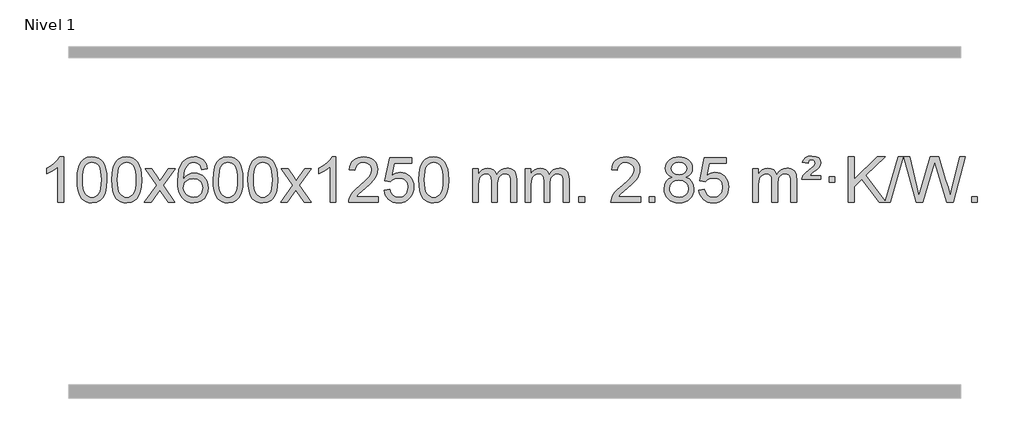
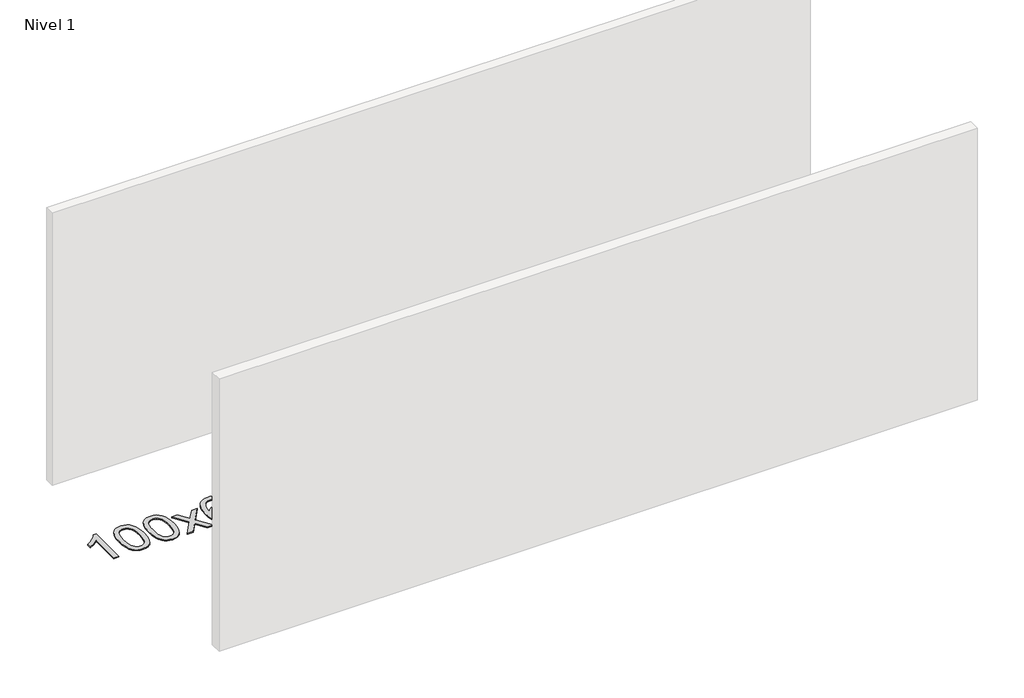
# One storey, part 5 of 9: 1 proxy.
"""IFC4 building model written with IfcOpenShell, lengths in millimetres."""

from ifc_helpers import new_model, si_unit, origin, origin_with_axes, place, context, project, spatial, polyline, outline, extrude, element, save

model = new_model("IFC4")

# Units and contexts
model_context = context("Model", 3, world=origin())
ifc_project = project(units=[si_unit("LENGTHUNIT", "METRE", prefix="MILLI")], contexts=[model_context])

# Site, building, storey
site = spatial("IfcSite", under=ifc_project)
building = spatial("IfcBuilding", under=site)
storey = spatial("IfcBuildingStorey", under=building, Name="Nivel 1", Elevation=0.0)

# Proxy
placement = place(None, origin())
element("IfcBuildingElementProxy", 1, Name="Texto de modelo 1", ObjectType="Texto de modelo 1", at=placement, inside=storey, context=model_context, shape_type="SweptSolid", body=[
    extrude(outline(polyline([(-6575.4615788, -9389.579453), (-6625.6897338, -9389.579453), (-6625.6897338, -9076.4382987), (-6646.6590076, -9093.3976587), (-6673.2691385, -9110.3324932), (-6726.146044, -9135.6918254), (-6726.146044, -9088.2105225), (-6686.6968314, -9066.7507395), (-6652.520594, -9041.219729), (-6625.5793692, -9014.0700378), (-6607.8351943, -8987.7542124), (-6575.4615788, -8987.7542124), (-6575.4615788, -9389.579453)])), origin_with_axes(), (0.0, 0.0, 1.0), 10.0),
    extrude(outline(polyline([(-6456.1697105, -9191.9041943), (-6452.4786278, -9127.5861588), (-6441.4053797, -9076.2911459), (-6423.0603309, -9037.2343407), (-6411.2022679, -9022.0009605), (-6397.5538459, -9009.6309284), (-6382.0690796, -9000.0598651), (-6364.7019837, -8993.2233914), (-6324.3208034, -8987.7542124), (-6293.3696649, -8990.991574), (-6265.6558879, -9000.7036586), (-6242.4793222, -9016.5103217), (-6225.1398175, -9038.0314184), (-6212.0432185, -9065.0830078), (-6201.5953698, -9097.4811488), (-6194.7527647, -9138.6226186), (-6192.4718963, -9191.9041943), (-6196.1261908, -9255.8543477), (-6207.0890743, -9307.0267333), (-6225.3237585, -9346.1203266), (-6237.1542303, -9361.3996922), (-6250.7934553, -9373.8341036), (-6266.2966157, -9383.4695462), (-6283.7188939, -9390.3520052), (-6324.3208034, -9395.8579724), (-6351.9855294, -9393.4667394), (-6376.5109958, -9386.2930405), (-6397.8972024, -9374.3368757), (-6416.1441494, -9357.5982449), (-6433.6553324, -9327.3399508), (-6446.1633202, -9289.6381776), (-6453.6681129, -9244.4929255), (-6456.1697105, -9191.9041943)]), holes=[polyline([(-6405.9415554, -9191.8060924), (-6404.4700274, -9235.4706195), (-6400.0554435, -9270.8148822), (-6392.6978036, -9297.8388804), (-6382.3971077, -9316.5426142), (-6369.9381708, -9329.2682656), (-6356.1058078, -9338.3580165), (-6340.9000186, -9343.8118671), (-6324.3208034, -9345.6298173), (-6307.7415881, -9343.8057357), (-6292.535799, -9338.3334911), (-6278.703436, -9329.2130833), (-6266.2444991, -9316.4445124), (-6255.9438032, -9297.7101217), (-6248.5861633, -9270.6922549), (-6244.1715794, -9235.3909118), (-6242.7000514, -9191.8060924), (-6244.1225284, -9149.2973278), (-6248.3899596, -9114.5753989), (-6255.5023448, -9087.6403055), (-6265.4596842, -9068.4920476), (-6277.7101546, -9055.1440625), (-6291.7019332, -9045.6097875), (-6307.4350198, -9039.8892225), (-6324.9094146, -9037.9823675), (-6341.4027907, -9039.6623619), (-6356.3510624, -9044.7023452), (-6369.7542298, -9053.1023175), (-6381.6122928, -9064.8622786), (-6392.2563452, -9085.708925), (-6399.8592397, -9113.8151094), (-6404.4209765, -9149.1808319), (-6405.9415554, -9191.8060924)])]), origin_with_axes(), (0.0, 0.0, 1.0), 10.0),
    extrude(outline(polyline([(-6148.5222606, -9191.9041943), (-6144.8311779, -9127.5861588), (-6133.7579299, -9076.2911459), (-6115.4128811, -9037.2343407), (-6103.5548181, -9022.0009605), (-6089.9063961, -9009.6309284), (-6074.4216298, -9000.0598651), (-6057.0545339, -8993.2233914), (-6016.6733536, -8987.7542124), (-5985.722215, -8990.991574), (-5958.0084381, -9000.7036586), (-5934.8318724, -9016.5103217), (-5917.4923677, -9038.0314184), (-5904.3957686, -9065.0830078), (-5893.94792, -9097.4811488), (-5887.1053149, -9138.6226186), (-5884.8244465, -9191.9041943), (-5888.478741, -9255.8543477), (-5899.4416244, -9307.0267333), (-5917.6763087, -9346.1203266), (-5929.5067805, -9361.3996922), (-5943.1460055, -9373.8341036), (-5958.6491659, -9383.4695462), (-5976.071444, -9390.3520052), (-6016.6733536, -9395.8579724), (-6044.3380796, -9393.4667394), (-6068.8635459, -9386.2930405), (-6090.2497526, -9374.3368757), (-6108.4966996, -9357.5982449), (-6126.0078825, -9327.3399508), (-6138.5158704, -9289.6381776), (-6146.0206631, -9244.4929255), (-6148.5222606, -9191.9041943)]), holes=[polyline([(-6098.2941056, -9191.8060924), (-6096.8225776, -9235.4706195), (-6092.4079936, -9270.8148822), (-6085.0503537, -9297.8388804), (-6074.7496579, -9316.5426142), (-6062.290721, -9329.2682656), (-6048.4583579, -9338.3580165), (-6033.2525688, -9343.8118671), (-6016.6733536, -9345.6298173), (-6000.0941383, -9343.8057357), (-5984.8883492, -9338.3334911), (-5971.0559862, -9329.2130833), (-5958.5970493, -9316.4445124), (-5948.2963534, -9297.7101217), (-5940.9387135, -9270.6922549), (-5936.5241295, -9235.3909118), (-5935.0526016, -9191.8060924), (-5936.4750786, -9149.2973278), (-5940.7425098, -9114.5753989), (-5947.854895, -9087.6403055), (-5957.8122343, -9068.4920476), (-5970.0627048, -9055.1440625), (-5984.0544833, -9045.6097875), (-5999.78757, -9039.8892225), (-6017.2619648, -9037.9823675), (-6033.7553409, -9039.6623619), (-6048.7036126, -9044.7023452), (-6062.10678, -9053.1023175), (-6073.9648429, -9064.8622786), (-6084.6088953, -9085.708925), (-6092.2117899, -9113.8151094), (-6096.7735266, -9149.1808319), (-6098.2941056, -9191.8060924)])]), origin_with_axes(), (0.0, 0.0, 1.0), 10.0),
    extrude(outline(polyline([(-5859.7103689, -9389.579453), (-5752.3869282, -9241.2494325), (-5853.4318496, -9094.4890419), (-5793.0011005, -9094.4890419), (-5744.2444734, -9165.122385), (-5721.4848406, -9198.4770192), (-5701.7663657, -9171.2047007), (-5646.2407099, -9094.4890419), (-5585.8099608, -9094.4890419), (-5691.9561791, -9241.2494325), (-5589.7340354, -9389.579453), (-5650.1647845, -9389.579453), (-5711.6746541, -9300.4048574), (-5722.9563686, -9284.1199477), (-5799.2796199, -9389.579453), (-5859.7103689, -9389.579453)])), origin_with_axes(), (0.0, 0.0, 1.0), 10.0),
    extrude(outline(polyline([(-5300.9221437, -9094.4890419), (-5351.1502988, -9100.7675613), (-5359.2437027, -9075.874213), (-5370.1820607, -9058.8780648), (-5392.9662189, -9043.2062918), (-5420.5083176, -9037.9823675), (-5443.8565616, -9041.0235253), (-5465.8313794, -9050.1469988), (-5484.7037258, -9069.3627017), (-5500.1179814, -9095.8134171), (-5510.5290419, -9133.227016), (-5514.3918028, -9185.3313693), (-5494.2441322, -9161.8237098), (-5470.0988106, -9145.2567573), (-5443.3047386, -9135.434308), (-5415.2108169, -9132.1601582), (-5391.077758, -9134.398107), (-5368.8086346, -9141.1119534), (-5348.4034466, -9152.3016975), (-5329.862194, -9167.9673391), (-5314.4540698, -9187.1769106), (-5303.4482668, -9208.9984443), (-5296.844785, -9233.4319401), (-5294.6436244, -9260.4773982), (-5298.7884282, -9296.4439945), (-5311.2228396, -9329.786366), (-5330.9167891, -9358.0642287), (-5356.840207, -9378.8372987), (-5387.815871, -9391.602804), (-5422.6665587, -9395.8579724), (-5452.6090874, -9393.0375437), (-5479.6514797, -9384.5762579), (-5503.7937357, -9370.4741147), (-5525.0358552, -9350.7311143), (-5542.3539001, -9324.5133908), (-5554.7239322, -9290.9870783), (-5562.1459515, -9250.1521768), (-5564.6199579, -9202.0086864), (-5561.8731057, -9148.0342663), (-5553.632549, -9101.9693092), (-5539.8982878, -9063.8138149), (-5520.6703222, -9033.5677835), (-5499.8298072, -9013.5243462), (-5475.6660915, -8999.2076052), (-5448.179175, -8990.6175606), (-5417.3690579, -8987.7542124), (-5394.2354118, -8989.5261773), (-5373.2967949, -8994.8420722), (-5354.5532073, -9003.7018969), (-5338.0046489, -9016.1056515), (-5324.0987094, -9031.6364031), (-5313.2829788, -9049.8772186), (-5305.5574569, -9070.8280983), (-5300.9221437, -9094.4890419)]), holes=[polyline([(-5514.3918028, -9259.6925832), (-5511.485535, -9281.9494439), (-5502.7667318, -9303.2007605), (-5489.2286743, -9321.472233), (-5471.8646442, -9334.7895612), (-5450.9076332, -9342.9197533), (-5426.5906333, -9345.6298173), (-5393.4444655, -9340.0134855), (-5379.5293291, -9332.9930708), (-5367.3861575, -9323.1644901), (-5357.5361171, -9310.9262824), (-5350.500374, -9296.6769865), (-5344.8717794, -9262.1451299), (-5350.4267976, -9228.9989621), (-5357.3705702, -9215.3781312), (-5367.0918519, -9203.725469), (-5379.2718117, -9194.3904634), (-5393.5916183, -9187.7226022), (-5428.6507725, -9182.3883133), (-5461.7478893, -9187.7226022), (-5489.4248781, -9203.725469), (-5500.3479076, -9215.2248471), (-5508.1500716, -9228.3858254), (-5512.83137, -9243.2084042), (-5514.3918028, -9259.6925832)])]), origin_with_axes(), (0.0, 0.0, 1.0), 10.0),
    extrude(outline(polyline([(-5250.6939887, -9191.9041943), (-5247.002906, -9127.5861588), (-5235.9296579, -9076.2911459), (-5217.5846091, -9037.2343407), (-5205.7265461, -9022.0009605), (-5192.0781241, -9009.6309284), (-5176.5933578, -9000.0598651), (-5159.2262619, -8993.2233914), (-5118.8450816, -8987.7542124), (-5087.8939431, -8990.991574), (-5060.1801661, -9000.7036586), (-5037.0036004, -9016.5103217), (-5019.6640957, -9038.0314184), (-5006.5674967, -9065.0830078), (-4996.119648, -9097.4811488), (-4989.2770429, -9138.6226186), (-4986.9961745, -9191.9041943), (-4990.650469, -9255.8543477), (-5001.6133525, -9307.0267333), (-5019.8480367, -9346.1203266), (-5031.6785085, -9361.3996922), (-5045.3177335, -9373.8341036), (-5060.8208939, -9383.4695462), (-5078.2431721, -9390.3520052), (-5118.8450816, -9395.8579724), (-5146.5098076, -9393.4667394), (-5171.035274, -9386.2930405), (-5192.4214806, -9374.3368757), (-5210.6684276, -9357.5982449), (-5228.1796106, -9327.3399508), (-5240.6875984, -9289.6381776), (-5248.1923911, -9244.4929255), (-5250.6939887, -9191.9041943)]), holes=[polyline([(-5200.4658336, -9191.8060924), (-5198.9943056, -9235.4706195), (-5194.5797217, -9270.8148822), (-5187.2220818, -9297.8388804), (-5176.9213859, -9316.5426142), (-5164.462449, -9329.2682656), (-5150.630086, -9338.3580165), (-5135.4242968, -9343.8118671), (-5118.8450816, -9345.6298173), (-5102.2658663, -9343.8057357), (-5087.0600772, -9338.3334911), (-5073.2277142, -9329.2130833), (-5060.7687773, -9316.4445124), (-5050.4680814, -9297.7101217), (-5043.1104415, -9270.6922549), (-5038.6958576, -9235.3909118), (-5037.2243296, -9191.8060924), (-5038.6468066, -9149.2973278), (-5042.9142378, -9114.5753989), (-5050.026623, -9087.6403055), (-5059.9839624, -9068.4920476), (-5072.2344328, -9055.1440625), (-5086.2262114, -9045.6097875), (-5101.959298, -9039.8892225), (-5119.4336928, -9037.9823675), (-5135.9270689, -9039.6623619), (-5150.8753406, -9044.7023452), (-5164.278508, -9053.1023175), (-5176.136571, -9064.8622786), (-5186.7806234, -9085.708925), (-5194.3835179, -9113.8151094), (-5198.9452547, -9149.1808319), (-5200.4658336, -9191.8060924)])]), origin_with_axes(), (0.0, 0.0, 1.0), 10.0),
    extrude(outline(polyline([(-4943.0465388, -9191.9041943), (-4939.3554561, -9127.5861588), (-4928.2822081, -9076.2911459), (-4909.9371593, -9037.2343407), (-4898.0790963, -9022.0009605), (-4884.4306743, -9009.6309284), (-4868.945908, -9000.0598651), (-4851.5788121, -8993.2233914), (-4811.1976318, -8987.7542124), (-4780.2464932, -8990.991574), (-4752.5327163, -9000.7036586), (-4729.3561506, -9016.5103217), (-4712.0166459, -9038.0314184), (-4698.9200468, -9065.0830078), (-4688.4721982, -9097.4811488), (-4681.6295931, -9138.6226186), (-4679.3487247, -9191.9041943), (-4683.0030192, -9255.8543477), (-4693.9659026, -9307.0267333), (-4712.2005869, -9346.1203266), (-4724.0310587, -9361.3996922), (-4737.6702837, -9373.8341036), (-4753.1734441, -9383.4695462), (-4770.5957222, -9390.3520052), (-4811.1976318, -9395.8579724), (-4838.8623578, -9393.4667394), (-4863.3878241, -9386.2930405), (-4884.7740308, -9374.3368757), (-4903.0209778, -9357.5982449), (-4920.5321607, -9327.3399508), (-4933.0401486, -9289.6381776), (-4940.5449413, -9244.4929255), (-4943.0465388, -9191.9041943)]), holes=[polyline([(-4892.8183838, -9191.8060924), (-4891.3468558, -9235.4706195), (-4886.9322718, -9270.8148822), (-4879.5746319, -9297.8388804), (-4869.2739361, -9316.5426142), (-4856.8149992, -9329.2682656), (-4842.9826361, -9338.3580165), (-4827.776847, -9343.8118671), (-4811.1976318, -9345.6298173), (-4794.6184165, -9343.8057357), (-4779.4126274, -9338.3334911), (-4765.5802644, -9329.2130833), (-4753.1213275, -9316.4445124), (-4742.8206316, -9297.7101217), (-4735.4629917, -9270.6922549), (-4731.0484077, -9235.3909118), (-4729.5768798, -9191.8060924), (-4730.9993568, -9149.2973278), (-4735.266788, -9114.5753989), (-4742.3791732, -9087.6403055), (-4752.3365125, -9068.4920476), (-4764.586983, -9055.1440625), (-4778.5787615, -9045.6097875), (-4794.3118482, -9039.8892225), (-4811.786243, -9037.9823675), (-4828.2796191, -9039.6623619), (-4843.2278908, -9044.7023452), (-4856.6310582, -9053.1023175), (-4868.4891211, -9064.8622786), (-4879.1331735, -9085.708925), (-4886.7360681, -9113.8151094), (-4891.2978048, -9149.1808319), (-4892.8183838, -9191.8060924)])]), origin_with_axes(), (0.0, 0.0, 1.0), 10.0),
    extrude(outline(polyline([(-4654.2346472, -9389.579453), (-4546.9112064, -9241.2494325), (-4647.9561278, -9094.4890419), (-4587.5253787, -9094.4890419), (-4538.7687516, -9165.122385), (-4516.0091188, -9198.4770192), (-4496.2906439, -9171.2047007), (-4440.7649881, -9094.4890419), (-4380.334239, -9094.4890419), (-4486.4804574, -9241.2494325), (-4384.2583136, -9389.579453), (-4444.6890627, -9389.579453), (-4506.1989323, -9300.4048574), (-4517.4806468, -9284.1199477), (-4593.8038981, -9389.579453), (-4654.2346472, -9389.579453)])), origin_with_axes(), (0.0, 0.0, 1.0), 10.0),
    extrude(outline(polyline([(-4164.5101352, -9389.579453), (-4214.7382902, -9389.579453), (-4214.7382902, -9076.4382987), (-4235.707564, -9093.3976587), (-4262.317695, -9110.3324932), (-4315.1946004, -9135.6918254), (-4315.1946004, -9088.2105225), (-4275.7453878, -9066.7507395), (-4241.5691504, -9041.219729), (-4214.6279257, -9014.0700378), (-4196.8837508, -8987.7542124), (-4164.5101352, -8987.7542124), (-4164.5101352, -9389.579453)])), origin_with_axes(), (0.0, 0.0, 1.0), 10.0),
    extrude(outline(polyline([(-3787.7989721, -9339.3512979), (-3787.7989721, -9389.579453), (-4051.4967863, -9389.579453), (-4050.3931403, -9371.8965918), (-4046.1011837, -9354.9494945), (-4033.7158232, -9327.8856424), (-4015.5915035, -9301.6311307), (-3989.37378, -9274.1503456), (-3952.7082078, -9243.4076736), (-3898.5069272, -9195.2641831), (-3865.9861588, -9159.7267824), (-3849.7257746, -9130.884834), (-3844.3056466, -9102.8277005), (-3849.4192063, -9077.6768347), (-3864.7598855, -9056.7688747), (-3888.3411214, -9042.6789943), (-3918.1763512, -9037.9823675), (-3949.5076345, -9042.5686297), (-3973.8491598, -9056.3274163), (-3989.557721, -9078.1796068), (-3994.9901118, -9107.0460807), (-4045.2182669, -9100.7675613), (-4040.8987191, -9074.838012), (-4033.0413728, -9052.1826125), (-4021.646228, -9032.8013627), (-4006.7132847, -9016.6942627), (-3988.5858994, -9004.0329907), (-3967.6074286, -8994.989225), (-3943.7778724, -8989.5629655), (-3917.0972307, -8987.7542124), (-3890.1774657, -8989.7653006), (-3866.2191508, -8995.7985654), (-3845.2222859, -9005.8540066), (-3827.1868711, -9019.9316242), (-3812.7015175, -9036.9890861), (-3802.3548364, -9055.9840598), (-3796.1468277, -9076.9165453), (-3794.0774915, -9099.7865427), (-3796.3093089, -9123.8092369), (-3803.0047612, -9147.4149983), (-3814.8873497, -9171.4254299), (-3832.6805755, -9196.6621347), (-3861.0442774, -9226.7916701), (-3904.6382938, -9265.4805933), (-3962.4202925, -9313.795762), (-3985.0818234, -9339.3512979), (-3787.7989721, -9339.3512979)])), origin_with_axes(), (0.0, 0.0, 1.0), 10.0),
    extrude(outline(polyline([(-3737.570817, -9282.8446235), (-3687.342662, -9276.5661041), (-3678.1210866, -9306.7201649), (-3662.0323807, -9328.3148381), (-3639.1501206, -9341.3010725), (-3609.5478827, -9345.6298173), (-3590.418019, -9344.1245668), (-3573.5444981, -9339.6088153), (-3558.9273202, -9332.0825628), (-3546.5664851, -9321.5458094), (-3536.7379045, -9308.519721), (-3529.7174898, -9293.5254641), (-3524.101158, -9257.6324441), (-3529.3618705, -9223.8363514), (-3535.9377612, -9209.9181493), (-3545.1440081, -9197.9865099), (-3557.0112681, -9188.4154467), (-3571.5701981, -9181.5789729), (-3608.7630678, -9176.1097939), (-3633.1291186, -9178.2925604), (-3652.8598563, -9184.8408599), (-3668.6174684, -9194.8717757), (-3681.0641426, -9207.5023908), (-3731.2922977, -9201.2238715), (-3687.342662, -8994.0327318), (-3492.708561, -8994.0327318), (-3492.708561, -9044.2608869), (-3646.7284897, -9044.2608869), (-3668.2127982, -9154.919791), (-3650.4870174, -9142.2155994), (-3632.332041, -9133.1411769), (-3613.7478688, -9127.6965234), (-3594.734501, -9125.8816388), (-3570.273414, -9128.1318504), (-3547.8050212, -9134.882485), (-3527.3293225, -9146.1335427), (-3508.8463179, -9161.8850234), (-3493.5454926, -9181.1743027), (-3482.6163316, -9203.038756), (-3476.0588351, -9227.4783832), (-3473.8730029, -9254.4931844), (-3475.8411716, -9280.5147042), (-3481.7456776, -9304.7213394), (-3491.586521, -9327.1130902), (-3505.3637017, -9347.6899565), (-3526.2348735, -9368.7634634), (-3550.5886616, -9383.8159684), (-3578.4250659, -9392.8474714), (-3609.7440864, -9395.8579724), (-3635.6644387, -9393.9235262), (-3659.077062, -9388.1201877), (-3679.9819564, -9378.447957), (-3698.3791218, -9364.9068338), (-3713.6860785, -9348.1712688), (-3725.3203466, -9328.915712), (-3733.2819261, -9307.1401636), (-3737.570817, -9282.8446235)])), origin_with_axes(), (0.0, 0.0, 1.0), 10.0),
    extrude(outline(polyline([(-3429.9233672, -9191.9041943), (-3426.2322845, -9127.5861588), (-3415.1590365, -9076.2911459), (-3396.8139876, -9037.2343407), (-3384.9559247, -9022.0009605), (-3371.3075026, -9009.6309284), (-3355.8227363, -9000.0598651), (-3338.4556405, -8993.2233914), (-3298.0744601, -8987.7542124), (-3267.1233216, -8990.991574), (-3239.4095446, -9000.7036586), (-3216.2329789, -9016.5103217), (-3198.8934742, -9038.0314184), (-3185.7968752, -9065.0830078), (-3175.3490265, -9097.4811488), (-3168.5064214, -9138.6226186), (-3166.2255531, -9191.9041943), (-3169.8798475, -9255.8543477), (-3180.842731, -9307.0267333), (-3199.0774152, -9346.1203266), (-3210.9078871, -9361.3996922), (-3224.547112, -9373.8341036), (-3240.0502724, -9383.4695462), (-3257.4725506, -9390.3520052), (-3298.0744601, -9395.8579724), (-3325.7391862, -9393.4667394), (-3350.2646525, -9386.2930405), (-3371.6508592, -9374.3368757), (-3389.8978061, -9357.5982449), (-3407.4089891, -9327.3399508), (-3419.9169769, -9289.6381776), (-3427.4217696, -9244.4929255), (-3429.9233672, -9191.9041943)]), holes=[polyline([(-3379.6952121, -9191.8060924), (-3378.2236842, -9235.4706195), (-3373.8091002, -9270.8148822), (-3366.4514603, -9297.8388804), (-3356.1507644, -9316.5426142), (-3343.6918275, -9329.2682656), (-3329.8594645, -9338.3580165), (-3314.6536754, -9343.8118671), (-3298.0744601, -9345.6298173), (-3281.4952449, -9343.8057357), (-3266.2894558, -9338.3334911), (-3252.4570927, -9329.2130833), (-3239.9981558, -9316.4445124), (-3229.69746, -9297.7101217), (-3222.3398201, -9270.6922549), (-3217.9252361, -9235.3909118), (-3216.4537081, -9191.8060924), (-3217.8761852, -9149.2973278), (-3222.1436163, -9114.5753989), (-3229.2560016, -9087.6403055), (-3239.2133409, -9068.4920476), (-3251.4638113, -9055.1440625), (-3265.4555899, -9045.6097875), (-3281.1886766, -9039.8892225), (-3298.6630713, -9037.9823675), (-3315.1564474, -9039.6623619), (-3330.1047192, -9044.7023452), (-3343.5078865, -9053.1023175), (-3355.3659495, -9064.8622786), (-3366.0100019, -9085.708925), (-3373.6128965, -9113.8151094), (-3378.1746332, -9149.1808319), (-3379.6952121, -9191.8060924)])]), origin_with_axes(), (0.0, 0.0, 1.0), 10.0),
    extrude(outline(polyline([(-2952.755894, -9389.579453), (-2952.755894, -9094.4890419), (-2902.5277389, -9094.4890419), (-2902.5277389, -9143.0494653), (-2887.4200517, -9120.7435537), (-2867.9958823, -9103.2691589), (-2844.9174185, -9091.9751816), (-2818.8468478, -9088.2105225), (-2790.9123416, -9092.048758), (-2768.5205908, -9103.5634645), (-2751.7942228, -9121.9943524), (-2740.8558648, -9146.5811324), (-2722.5476041, -9121.0439906), (-2701.6641696, -9102.803175), (-2678.205561, -9091.8586857), (-2652.1717785, -9088.2105225), (-2632.0639617, -9089.7280358), (-2614.414823, -9094.2805755), (-2599.2243623, -9101.8681416), (-2586.4925796, -9112.4907342), (-2576.4279413, -9126.2709806), (-2569.238914, -9143.3315082), (-2564.9254976, -9163.6723168), (-2563.4876922, -9187.2934066), (-2563.4876922, -9389.579453), (-2613.7158472, -9389.579453), (-2613.7158472, -9208.875817), (-2614.8808069, -9183.8230531), (-2618.3756858, -9166.9372695), (-2624.9239854, -9155.3735121), (-2635.2492067, -9146.2868268), (-2648.5297467, -9140.4007149), (-2663.9440023, -9138.4386776), (-2691.1550072, -9143.4663982), (-2713.3382915, -9158.54956), (-2721.9436645, -9170.1194488), (-2728.0903595, -9184.7182326), (-2733.0077155, -9223.0024856), (-2733.0077155, -9389.579453), (-2783.2358706, -9389.579453), (-2783.2358706, -9203.2840106), (-2786.1421384, -9174.8835206), (-2794.8609417, -9154.6254854), (-2810.2016209, -9142.4853796), (-2832.9735164, -9138.4386776), (-2852.3241093, -9141.1364789), (-2870.1541233, -9149.2298828), (-2884.8694032, -9162.5226856), (-2894.8757934, -9180.8186835), (-2900.6147525, -9206.2025411), (-2902.5277389, -9240.7589232), (-2902.5277389, -9389.579453), (-2952.755894, -9389.579453)])), origin_with_axes(), (0.0, 0.0, 1.0), 10.0),
    extrude(outline(polyline([(-2488.1454596, -9389.579453), (-2488.1454596, -9094.4890419), (-2437.9173045, -9094.4890419), (-2437.9173045, -9143.0494653), (-2422.8096172, -9120.7435537), (-2403.3854479, -9103.2691589), (-2380.306984, -9091.9751816), (-2354.2364133, -9088.2105225), (-2326.3019071, -9092.048758), (-2303.9101564, -9103.5634645), (-2287.1837883, -9121.9943524), (-2276.2454303, -9146.5811324), (-2257.9371697, -9121.0439906), (-2237.0537351, -9102.803175), (-2213.5951266, -9091.8586857), (-2187.561344, -9088.2105225), (-2167.4535273, -9089.7280358), (-2149.8043886, -9094.2805755), (-2134.6139279, -9101.8681416), (-2121.8821452, -9112.4907342), (-2111.8175069, -9126.2709806), (-2104.6284796, -9143.3315082), (-2100.3150632, -9163.6723168), (-2098.8772577, -9187.2934066), (-2098.8772577, -9389.579453), (-2149.1054128, -9389.579453), (-2149.1054128, -9208.875817), (-2150.2703724, -9183.8230531), (-2153.7652514, -9166.9372695), (-2160.3135509, -9155.3735121), (-2170.6387722, -9146.2868268), (-2183.9193123, -9140.4007149), (-2199.3335679, -9138.4386776), (-2226.5445728, -9143.4663982), (-2248.7278571, -9158.54956), (-2257.3332301, -9170.1194488), (-2263.4799251, -9184.7182326), (-2268.3972811, -9223.0024856), (-2268.3972811, -9389.579453), (-2318.6254362, -9389.579453), (-2318.6254362, -9203.2840106), (-2321.5317039, -9174.8835206), (-2330.2505072, -9154.6254854), (-2345.5911864, -9142.4853796), (-2368.3630819, -9138.4386776), (-2387.7136749, -9141.1364789), (-2405.5436889, -9149.2298828), (-2420.2589687, -9162.5226856), (-2430.265359, -9180.8186835), (-2436.0043181, -9206.2025411), (-2437.9173045, -9240.7589232), (-2437.9173045, -9389.579453), (-2488.1454596, -9389.579453)])), origin_with_axes(), (0.0, 0.0, 1.0), 10.0),
    extrude(outline(polyline([(-2010.9779863, -9389.579453), (-2010.9779863, -9339.3512979), (-1960.7498313, -9339.3512979), (-1960.7498313, -9389.579453), (-2010.9779863, -9389.579453)])), origin_with_axes(), (0.0, 0.0, 1.0), 10.0),
    extrude(outline(polyline([(-1464.7467999, -9339.3512979), (-1464.7467999, -9389.579453), (-1728.444614, -9389.579453), (-1727.3409681, -9371.8965918), (-1723.0490115, -9354.9494945), (-1710.6636509, -9327.8856424), (-1692.5393313, -9301.6311307), (-1666.3216078, -9274.1503456), (-1629.6560356, -9243.4076736), (-1575.454755, -9195.2641831), (-1542.9339866, -9159.7267824), (-1526.6736024, -9130.884834), (-1521.2534744, -9102.8277005), (-1526.3670341, -9077.6768347), (-1541.7077133, -9056.7688747), (-1565.2889492, -9042.6789943), (-1595.124179, -9037.9823675), (-1626.4554623, -9042.5686297), (-1650.7969876, -9056.3274163), (-1666.5055488, -9078.1796068), (-1671.9379396, -9107.0460807), (-1722.1660947, -9100.7675613), (-1717.8465469, -9074.838012), (-1709.9892006, -9052.1826125), (-1698.5940558, -9032.8013627), (-1683.6611125, -9016.6942627), (-1665.5337272, -9004.0329907), (-1644.5552564, -8994.989225), (-1620.7257002, -8989.5629655), (-1594.0450585, -8987.7542124), (-1567.1252935, -8989.7653006), (-1543.1669785, -8995.7985654), (-1522.1701137, -9005.8540066), (-1504.1346989, -9019.9316242), (-1489.6493453, -9036.9890861), (-1479.3026642, -9055.9840598), (-1473.0946555, -9076.9165453), (-1471.0253193, -9099.7865427), (-1473.2571367, -9123.8092369), (-1479.952589, -9147.4149983), (-1491.8351775, -9171.4254299), (-1509.6284033, -9196.6621347), (-1537.9921051, -9226.7916701), (-1581.5861216, -9265.4805933), (-1639.3681203, -9313.795762), (-1662.0296512, -9339.3512979), (-1464.7467999, -9339.3512979)])), origin_with_axes(), (0.0, 0.0, 1.0), 10.0),
    extrude(outline(polyline([(-1389.4045673, -9389.579453), (-1389.4045673, -9339.3512979), (-1339.1764122, -9339.3512979), (-1339.1764122, -9389.579453), (-1389.4045673, -9389.579453)])), origin_with_axes(), (0.0, 0.0, 1.0), 10.0),
    extrude(outline(polyline([(-1184.3716686, -9168.2616447), (-1211.2638425, -9155.0178929), (-1230.1361888, -9137.0652515), (-1241.2830133, -9114.7716026), (-1244.9986215, -9088.5048281), (-1242.9752705, -9068.0199324), (-1236.9052176, -9049.2395565), (-1226.7884627, -9032.1637006), (-1212.6250059, -9016.7923645), (-1195.0954288, -9004.088173), (-1174.8803132, -8995.0137504), (-1151.979659, -8989.5690969), (-1126.3934662, -8987.7542124), (-1100.6846461, -8989.6120165), (-1077.6123136, -8995.1854287), (-1057.1764688, -9004.4744491), (-1039.3771116, -9017.4790776), (-1024.9561374, -9033.1508506), (-1014.6554415, -9050.4413044), (-1008.475024, -9069.3504389), (-1006.4148848, -9089.8782543), (-1010.0814421, -9115.2989001), (-1021.0811137, -9137.2124043), (-1039.5365271, -9155.0546811), (-1065.5703097, -9168.2616447), (-1034.6559593, -9184.1909351), (-1012.153844, -9207.6495436), (-998.4318456, -9237.5092989), (-993.8578461, -9272.6420295), (-996.1264517, -9297.6947933), (-1002.9322686, -9320.6628926), (-1014.2752968, -9341.5463272), (-1030.1555363, -9360.3450971), (-1049.7391211, -9375.88198), (-1072.1921856, -9386.9797536), (-1097.5147296, -9393.6384177), (-1125.7067531, -9395.8579724), (-1153.8987767, -9393.6292206), (-1179.2213207, -9386.9429654), (-1201.6743852, -9375.7992066), (-1221.25797, -9360.1979443), (-1237.1382095, -9341.26735), (-1248.4812377, -9320.135595), (-1255.2870546, -9296.8026795), (-1257.5556602, -9271.2686033), (-1252.7977197, -9234.7747094), (-1238.5238983, -9204.7555386), (-1215.46996, -9182.2411605), (-1184.3716686, -9168.2616447)]), holes=[polyline([(-1194.7704664, -9089.9763561), (-1190.3190942, -9111.902123), (-1176.9649778, -9129.413306), (-1155.1005246, -9140.8912243), (-1125.118142, -9144.717197), (-1095.8347351, -9140.9157497), (-1074.3013757, -9129.5114079), (-1061.0576239, -9112.5888361), (-1056.6430399, -9092.232699), (-1061.2047767, -9071.1040098), (-1074.8899869, -9053.629615), (-1096.7176519, -9041.8941794), (-1125.7067531, -9037.9823675), (-1154.8797954, -9041.8083402), (-1176.6706722, -9053.2862585), (-1190.2455178, -9070.1107284), (-1194.7704664, -9089.9763561)]), polyline([(-1207.3275051, -9269.5027698), (-1205.2305778, -9288.7184726), (-1198.9397957, -9307.3210389), (-1187.3269873, -9323.5446349), (-1169.2639814, -9335.623427), (-1147.6325201, -9343.1282197), (-1125.3143457, -9345.6298173), (-1091.1258456, -9340.3691048), (-1077.2321689, -9333.7932141), (-1065.4722078, -9324.5869672), (-1049.4325528, -9300.6869002), (-1044.0860012, -9271.0723996), (-1049.6042311, -9240.9551269), (-1066.1589209, -9216.5277625), (-1078.237713, -9207.0854579), (-1092.4011699, -9200.3409547), (-1126.9820774, -9194.9453521), (-1160.6923309, -9200.2673783), (-1174.4296577, -9206.919911), (-1186.0884513, -9216.2334569), (-1202.0177417, -9240.1948375), (-1207.3275051, -9269.5027698)])]), origin_with_axes(), (0.0, 0.0, 1.0), 10.0),
    extrude(outline(polyline([(-949.9082104, -9282.8446235), (-899.6800553, -9276.5661041), (-890.45848, -9306.7201649), (-874.369774, -9328.3148381), (-851.4875139, -9341.3010725), (-821.8852761, -9345.6298173), (-802.7554123, -9344.1245668), (-785.8818915, -9339.6088153), (-771.2647135, -9332.0825628), (-758.9038785, -9321.5458094), (-749.0752979, -9308.519721), (-742.0548831, -9293.5254641), (-736.4385513, -9257.6324441), (-741.6992639, -9223.8363514), (-748.2751545, -9209.9181493), (-757.4814014, -9197.9865099), (-769.3486615, -9188.4154467), (-783.9075914, -9181.5789729), (-821.1004611, -9176.1097939), (-845.466512, -9178.2925604), (-865.1972496, -9184.8408599), (-880.9548618, -9194.8717757), (-893.4015359, -9207.5023908), (-943.629691, -9201.2238715), (-899.6800553, -8994.0327318), (-705.0459544, -8994.0327318), (-705.0459544, -9044.2608869), (-859.065883, -9044.2608869), (-880.5501916, -9154.919791), (-862.8244108, -9142.2155994), (-844.6694343, -9133.1411769), (-826.0852622, -9127.6965234), (-807.0718944, -9125.8816388), (-782.6108074, -9128.1318504), (-760.1424145, -9134.882485), (-739.6667158, -9146.1335427), (-721.1837113, -9161.8850234), (-705.8828859, -9181.1743027), (-694.953725, -9203.038756), (-688.3962284, -9227.4783832), (-686.2103962, -9254.4931844), (-688.1785649, -9280.5147042), (-694.0830709, -9304.7213394), (-703.9239143, -9327.1130902), (-717.701095, -9347.6899565), (-738.5722669, -9368.7634634), (-762.926055, -9383.8159684), (-790.7624593, -9392.8474714), (-822.0814798, -9395.8579724), (-848.001832, -9393.9235262), (-871.4144553, -9388.1201877), (-892.3193497, -9378.447957), (-910.7165152, -9364.9068338), (-926.0234719, -9348.1712688), (-937.6577399, -9328.915712), (-945.6193195, -9307.1401636), (-949.9082104, -9282.8446235)])), origin_with_axes(), (0.0, 0.0, 1.0), 10.0),
    extrude(outline(polyline([(-472.7407372, -9389.579453), (-472.7407372, -9094.4890419), (-422.5125821, -9094.4890419), (-422.5125821, -9143.0494653), (-407.4048948, -9120.7435537), (-387.9807255, -9103.2691589), (-364.9022617, -9091.9751816), (-338.8316909, -9088.2105225), (-310.8971848, -9092.048758), (-288.505434, -9103.5634645), (-271.7790659, -9121.9943524), (-260.840708, -9146.5811324), (-242.5324473, -9121.0439906), (-221.6490127, -9102.803175), (-198.1904042, -9091.8586857), (-172.1566217, -9088.2105225), (-152.0488049, -9089.7280358), (-134.3996662, -9094.2805755), (-119.2092055, -9101.8681416), (-106.4774228, -9112.4907342), (-96.4127845, -9126.2709806), (-89.2237572, -9143.3315082), (-84.9103408, -9163.6723168), (-83.4725353, -9187.2934066), (-83.4725353, -9389.579453), (-133.7006904, -9389.579453), (-133.7006904, -9208.875817), (-134.8656501, -9183.8230531), (-138.360529, -9166.9372695), (-144.9088285, -9155.3735121), (-155.2340499, -9146.2868268), (-168.5145899, -9140.4007149), (-183.9288455, -9138.4386776), (-211.1398504, -9143.4663982), (-233.3231347, -9158.54956), (-241.9285077, -9170.1194488), (-248.0752027, -9184.7182326), (-252.9925587, -9223.0024856), (-252.9925587, -9389.579453), (-303.2207138, -9389.579453), (-303.2207138, -9203.2840106), (-306.1269816, -9174.8835206), (-314.8457848, -9154.6254854), (-330.186464, -9142.4853796), (-352.9583595, -9138.4386776), (-372.3089525, -9141.1364789), (-390.1389665, -9149.2298828), (-404.8542463, -9162.5226856), (-414.8606366, -9180.8186835), (-420.5995957, -9206.2025411), (-422.5125821, -9240.7589232), (-422.5125821, -9389.579453), (-472.7407372, -9389.579453)])), origin_with_axes(), (0.0, 0.0, 1.0), 10.0),
    extrude(outline(polyline([(-39.5228997, -9188.6668327), (-35.6969269, -9172.8479069), (-27.3582683, -9156.9799302), (-5.8494344, -9131.8413272), (26.1072483, -9104.1030247), (70.2530877, -9066.726214), (77.3899984, -9055.1992448), (79.7689686, -9043.3779701), (77.8805077, -9031.2869152), (72.215125, -9021.5012541), (62.8463969, -9015.026531), (49.8478997, -9012.8682899), (37.4134883, -9014.4869707), (28.5597949, -9019.343013), (22.1341227, -9028.8098431), (16.9837748, -9044.2608869), (-33.2443803, -9037.9823675), (-22.4041241, -9012.7701881), (-5.775858, -8995.2099542), (17.9893189, -8984.9092583), (50.2403072, -8981.475693), (86.0229626, -8985.6082341), (110.7691581, -8998.0058573), (125.1901323, -9016.3386434), (129.9971237, -9038.2766731), (125.9013708, -9061.1834586), (113.6141122, -9082.8149199), (93.0862969, -9102.6314968), (56.6169284, -9130.6886303), (31.0123416, -9157.2742358), (129.9971237, -9157.2742358), (129.9971237, -9188.6668327), (-39.5228997, -9188.6668327)])), origin_with_axes(), (0.0, 0.0, 1.0), 10.0),
    extrude(outline(polyline([(205.3393563, -9213.7809102), (205.3393563, -9163.5527552), (255.5675114, -9163.5527552), (255.5675114, -9213.7809102), (205.3393563, -9213.7809102)])), origin_with_axes(), (0.0, 0.0, 1.0), 10.0),
    extrude(outline(polyline([(646.2091394, -9389.579453), (492.7778219, -9186.9009991), (425.0875348, -9251.4520265), (425.0875348, -9389.579453), (374.8593797, -9389.579453), (374.8593797, -8987.7542124), (425.0875348, -8987.7542124), (425.0875348, -9184.4484525), (631.1014521, -8987.7542124), (701.3423877, -8987.7542124), (528.388799, -9152.9577537), (703.0424089, -9383.5349332), (814.3557366, -8987.7542124), (859.6787984, -8987.7542124), (746.6654495, -9389.579453), (707.6209071, -9389.579453), (701.3423877, -9389.579453), (646.2091394, -9389.579453)])), origin_with_axes(), (0.0, 0.0, 1.0), 10.0),
    extrude(outline(polyline([(974.1636753, -9389.579453), (864.5838917, -8987.7542124), (916.3816766, -8987.7542124), (979.9516854, -9251.844434), (999.5720585, -9333.3670841), (1020.5658576, -9261.2622131), (1100.2245723, -8987.7542124), (1174.8800919, -8987.7542124), (1232.7601925, -9186.0180823), (1257.5554389, -9259.5944814), (1275.8269114, -9333.3670841), (1294.8586732, -9254.1988788), (1359.0172932, -8987.7542124), (1410.8150781, -8987.7542124), (1301.1371926, -9389.579453), (1247.4754723, -9389.579453), (1151.1394405, -9079.5775584), (1137.6994849, -9036.3146358), (1122.5917976, -9088.4067263), (1034.7906281, -9389.579453), (974.1636753, -9389.579453)])), origin_with_axes(), (0.0, 0.0, 1.0), 10.0),
    extrude(outline(polyline([(1467.3217526, -9389.579453), (1467.3217526, -9339.3512979), (1517.5499077, -9339.3512979), (1517.5499077, -9389.579453), (1467.3217526, -9389.579453)])), origin_with_axes(), (0.0, 0.0, 1.0), 10.0),
])

save(model, "model.ifc")
